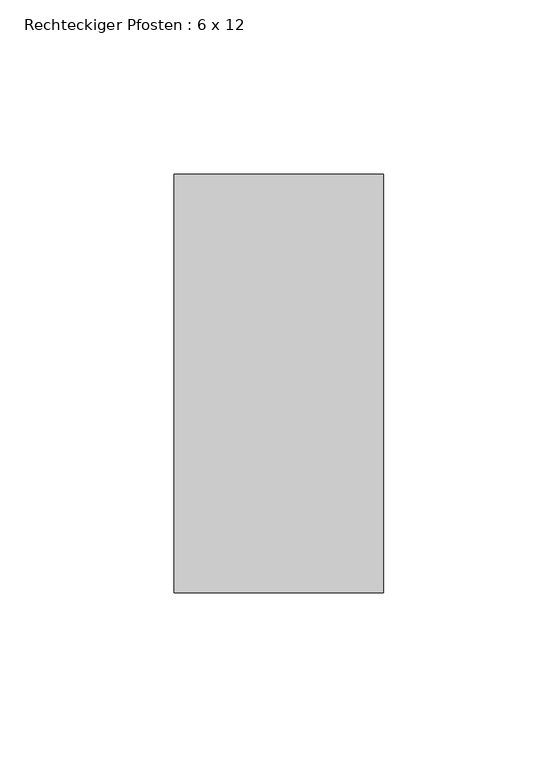
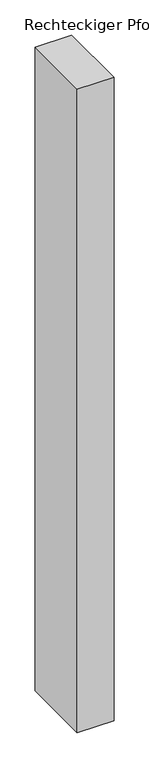
"""IFC4 building model written with IfcOpenShell, lengths in millimetres: member geometry, Rechteckiger Pfosten : 6 x 12."""

from ifc_helpers import new_model, si_unit, frame, origin, place, context, project, spatial, polyline, outline, extrude, source, transform, mapped, element, save


def rechteckiger_pfosten_6_x_12_b59893e0(model_context):
    return source(origin(), model_context, "Body", "SweptSolid", [
        extrude(outline(polyline([(0.0, 60.0), (0.0, -60.0), (-60.0, -60.0), (-60.0, 60.0), (0.0, 60.0)])), frame((0.0, 0.0, -1114.9705474), z_axis=(0.0, 0.0, 1.0), x_axis=(1.0, 0.0, 0.0)), (0.0, 0.0, 1.0), 1114.9705474),
    ])


if __name__ == "__main__":
    model = new_model("IFC4")
    model_context = context("Model", 3, world=origin())
    ifc_project = project(units=[si_unit("LENGTHUNIT", "METRE", prefix="MILLI")], contexts=[model_context])
    site = spatial("IfcSite", under=ifc_project)
    building = spatial("IfcBuilding", under=site)
    placement = place(None, origin())
    rechteckiger_pfosten_6_x_12_shape = rechteckiger_pfosten_6_x_12_b59893e0(model_context)
    element("IfcMember", 1, ObjectType="Rechteckiger Pfosten : 6 x 12", at=placement, inside=building, context=model_context, shape_type="MappedRepresentation", body=[
        mapped(rechteckiger_pfosten_6_x_12_shape, transform((0.0, 0.0, 0.0), x_axis=(1.0, 0.0, 0.0), y_axis=(0.0, 1.0, 0.0), z_axis=(0.0, 0.0, 1.0))),
    ])
    save(model, "model.ifc")
